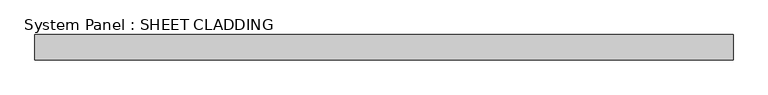
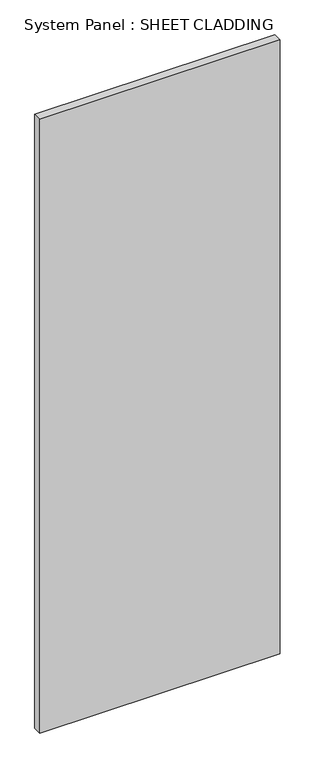
"""IFC4 building model written with IfcOpenShell, lengths in millimetres: plate geometry, System Panel : SHEET CLADDING."""

import ifcopenshell
import ifcopenshell.guid

model = None  # the IFC model being written
_history = None  # IfcOwnerHistory: only IFC2X3 demands one
_inside = {}  # id of a spatial element -> (the spatial element, [elements in it])
_under = {}  # id of a project, library or spatial element -> (it, [spatial elements below it])
_declared = {}  # id of a project -> (the project, [libraries it declares])
_typed = {}  # id of a type object -> (the type object, [elements of that type])
_made_of = {}  # id of a material, layer set ... -> (it, [elements and type objects made of it])


def new_model(schema):
    """Start an empty IFC model of exactly this schema.

    Asked for "IFC4X3", IfcOpenShell would pick the latest addendum, in which some entities
    have other attributes; the version numbers below select the first issue.
    IFC2X3 requires an IfcOwnerHistory on every rooted entity: one is made here for all.
    """
    global model, _history
    if schema == "IFC4X3":
        model = ifcopenshell.file(schema_version=(4, 3, 0, 0))
    else:
        model = ifcopenshell.file(schema=schema)
    _inside.clear()
    _under.clear()
    _declared.clear()
    _typed.clear()
    _made_of.clear()
    _history = None
    if model.schema == "IFC2X3":
        org = make("IfcOrganization", Name="unknown")
        user = make(
            "IfcPersonAndOrganization",
            ThePerson=make("IfcPerson", FamilyName="unknown"),
            TheOrganization=org,
        )
        app = make(
            "IfcApplication",
            ApplicationDeveloper=org,
            Version="unknown",
            ApplicationFullName="unknown",
            ApplicationIdentifier="unknown",
        )
        _history = make(
            "IfcOwnerHistory",
            OwningUser=user,
            OwningApplication=app,
            ChangeAction="ADDED",
            CreationDate=0,
        )
    return model


def make(cls, **values):
    """One entity of the class cls with the attributes given. An attribute that is None is left unset."""
    return model.create_entity(
        cls, **{name: value for name, value in values.items() if value is not None}
    )


def rooted(cls, **values):
    """An entity with a GlobalId (a new one), such as an element, a storey or a relation."""
    return make(cls, GlobalId=ifcopenshell.guid.new(), OwnerHistory=_history, **values)


def si_unit(unit_type, name, prefix=None):
    """IfcSIUnit, for example si_unit("LENGTHUNIT", "METRE", prefix="MILLI")."""
    return make("IfcSIUnit", UnitType=unit_type, Prefix=prefix, Name=name)


def assignment(units):
    """IfcUnitAssignment: the units of a project."""
    return None if units is None else make("IfcUnitAssignment", Units=units)


def point(xyz):
    """IfcCartesianPoint."""
    return None if xyz is None else make("IfcCartesianPoint", Coordinates=xyz)


def direction(xyz):
    """IfcDirection."""
    return None if xyz is None else make("IfcDirection", DirectionRatios=xyz)


def frame(location, z_axis=None, x_axis=None):
    """IfcAxis2Placement3D, a coordinate frame: its origin and axes. An axis left out is left unset."""
    return make(
        "IfcAxis2Placement3D",
        Location=point(location),
        Axis=direction(z_axis),
        RefDirection=direction(x_axis),
    )


def origin():
    """The frame at (0, 0, 0) with its axes left unset."""
    return frame((0.0, 0.0, 0.0))


def origin_with_axes():
    """The frame at (0, 0, 0) with the z axis (0, 0, 1) and the x axis (1, 0, 0) written out."""
    return frame((0.0, 0.0, 0.0), z_axis=(0.0, 0.0, 1.0), x_axis=(1.0, 0.0, 0.0))


def place(relative_to, where):
    """IfcLocalPlacement: puts the frame where relative to a parent placement (None: the world)."""
    return make(
        "IfcLocalPlacement", PlacementRelTo=relative_to, RelativePlacement=where
    )


def context(
    kind, dimensions, precision=None, world=None, true_north=None, identifier=None
):
    """IfcGeometricRepresentationContext, for example the 3D "Model" context."""
    return make(
        "IfcGeometricRepresentationContext",
        ContextIdentifier=identifier,
        ContextType=kind,
        CoordinateSpaceDimension=dimensions,
        Precision=precision,
        WorldCoordinateSystem=world,
        TrueNorth=true_north,
    )


def project(units=None, contexts=None):
    """IfcProject with its units and contexts."""
    return rooted(
        "IfcProject",
        Name="project",
        RepresentationContexts=contexts,
        UnitsInContext=assignment(units),
    )


def spatial(cls, under=None, at=None, **own):
    """A site, building, storey or space (cls), placed at a placement, below another one or the project."""
    s = rooted(cls, ObjectPlacement=at, **own)
    if under is not None:
        _under.setdefault(under.id(), (under, []))[1].append(s)
    return s


def polyline(points):
    """IfcPolyline through the points."""
    return make("IfcPolyline", Points=[point(p) for p in points])


def outline(outer, holes=None, kind="AREA"):
    """IfcArbitraryClosedProfileDef: a profile drawn as a closed curve; with holes, ...WithVoids."""
    if holes is None:
        return make("IfcArbitraryClosedProfileDef", ProfileType=kind, OuterCurve=outer)
    return make(
        "IfcArbitraryProfileDefWithVoids",
        ProfileType=kind,
        OuterCurve=outer,
        InnerCurves=holes,
    )


def extrude(swept, where, along, depth):
    """IfcExtrudedAreaSolid: the profile swept, set in the frame where, extruded along a direction by depth."""
    return make(
        "IfcExtrudedAreaSolid",
        SweptArea=swept,
        Position=where,
        ExtrudedDirection=direction(along),
        Depth=depth,
    )


def shape(context_of_items, identifier, shape_type, items):
    """IfcShapeRepresentation: the items that make up one representation, for example the "Body"."""
    return make(
        "IfcShapeRepresentation",
        ContextOfItems=context_of_items,
        RepresentationIdentifier=identifier,
        RepresentationType=shape_type,
        Items=items,
    )


def source(mapping_origin, context_of_items, identifier, shape_type, items):
    """IfcRepresentationMap: a shape defined once, which mapped items show again and again."""
    return make(
        "IfcRepresentationMap",
        MappingOrigin=mapping_origin,
        MappedRepresentation=shape(context_of_items, identifier, shape_type, items),
    )


def transform(
    local_origin,
    x_axis=None,
    y_axis=None,
    z_axis=None,
    scale=None,
    scale2=None,
    scale3=None,
    uniform=True,
):
    """IfcCartesianTransformationOperator3D, or its non-uniform kind. x_axis, y_axis, z_axis: its Axis1, 2, 3."""
    if uniform:
        return make(
            "IfcCartesianTransformationOperator3D",
            Axis1=direction(x_axis),
            Axis2=direction(y_axis),
            LocalOrigin=point(local_origin),
            Scale=scale,
            Axis3=direction(z_axis),
        )
    return make(
        "IfcCartesianTransformationOperator3DnonUniform",
        Axis1=direction(x_axis),
        Axis2=direction(y_axis),
        LocalOrigin=point(local_origin),
        Scale=scale,
        Axis3=direction(z_axis),
        Scale2=scale2,
        Scale3=scale3,
    )


def mapped(mapping_source, mapping_target):
    """IfcMappedItem: shows the shape of a source again, moved by a transform."""
    return make(
        "IfcMappedItem", MappingSource=mapping_source, MappingTarget=mapping_target
    )


def made_of(thing, what):
    """Note that an element or type object is made of a material, layer set ...; save() writes the relation."""
    if what is not None:
        _made_of.setdefault(what.id(), (what, []))[1].append(thing)
    return thing


def element(
    cls,
    number,
    at=None,
    inside=None,
    cuts=None,
    type_object=None,
    material=None,
    context=None,
    identifier="Body",
    shape_type=None,
    held_by="IfcProductDefinitionShape",
    body=None,
    shapes=None,
    **own,
):
    """One element of the class cls, such as IfcWall. Its Tag is "e" and its number.

    at: its placement. inside: the storey or other place that contains it. cuts: it is an
    opening in that element (IfcRelVoidsElement). A single representation is given by context,
    identifier, shape_type and body (its items); several are given by shapes. held_by: the class
    of the entity that holds the representations. save() writes the other relations.
    """
    e = rooted(cls, Tag="e%d" % number, ObjectPlacement=at, **own)
    if body is not None:
        shapes = [shape(context, identifier, shape_type, body)]
    if shapes is not None:
        e.Representation = make(held_by, Representations=shapes)
    if inside is not None:
        _inside.setdefault(inside.id(), (inside, []))[1].append(e)
    if cuts is not None:
        rooted(
            "IfcRelVoidsElement", RelatingBuildingElement=cuts, RelatedOpeningElement=e
        )
    if type_object is not None:
        _typed.setdefault(type_object.id(), (type_object, []))[1].append(e)
    return made_of(e, material)


def aggregate(whole, parts):
    """IfcRelAggregates: a whole, such as a stair, and the parts it consists of."""
    return rooted("IfcRelAggregates", RelatingObject=whole, RelatedObjects=parts)


def save(model, path):
    """Write the relations noted so far, then the file.

    IfcRelAggregates (storeys below a building ...), IfcRelContainedInSpatialStructure (elements
    in a storey), IfcRelDefinesByType, IfcRelAssociatesMaterial and IfcRelDeclares: one each for
    every whole, place, type object, material and project.
    """
    for whole, parts in _under.values():
        aggregate(whole, parts)
    for where, things in _inside.values():
        rooted(
            "IfcRelContainedInSpatialStructure",
            RelatedElements=things,
            RelatingStructure=where,
        )
    for kind, things in _typed.values():
        rooted("IfcRelDefinesByType", RelatedObjects=things, RelatingType=kind)
    for what, things in _made_of.values():
        rooted("IfcRelAssociatesMaterial", RelatedObjects=things, RelatingMaterial=what)
    for by, libraries in _declared.values():
        rooted("IfcRelDeclares", RelatingContext=by, RelatedDefinitions=libraries)
    model.write(path)


def system_panel_sheet_cladding_c36d756c(model_context):
    return source(origin(), model_context, "Body", "SweptSolid", [
        extrude(outline(polyline([(833.3333333, -49.5), (-833.3333333, -49.5), (-833.3333333, 10.5), (833.3333333, 10.5), (833.3333333, -49.5)])), origin_with_axes(), (0.0, 0.0, 1.0), 4500.0),
    ])


if __name__ == "__main__":
    model = new_model("IFC4")
    model_context = context("Model", 3, world=origin())
    ifc_project = project(units=[si_unit("LENGTHUNIT", "METRE", prefix="MILLI")], contexts=[model_context])
    site = spatial("IfcSite", under=ifc_project)
    building = spatial("IfcBuilding", under=site)
    placement = place(None, origin())
    system_panel_sheet_cladding_shape = system_panel_sheet_cladding_c36d756c(model_context)
    element("IfcPlate", 1, ObjectType="System Panel : SHEET CLADDING", at=placement, inside=building, context=model_context, shape_type="MappedRepresentation", body=[
        mapped(system_panel_sheet_cladding_shape, transform((0.0, 0.0, 0.0), x_axis=(1.0, 0.0, 0.0), y_axis=(0.0, 1.0, 0.0), z_axis=(0.0, 0.0, 1.0))),
    ])
    save(model, "model.ifc")
